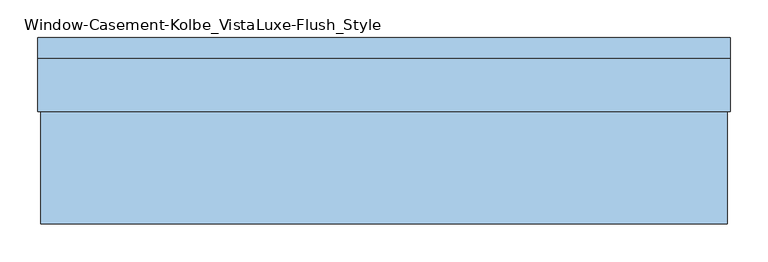
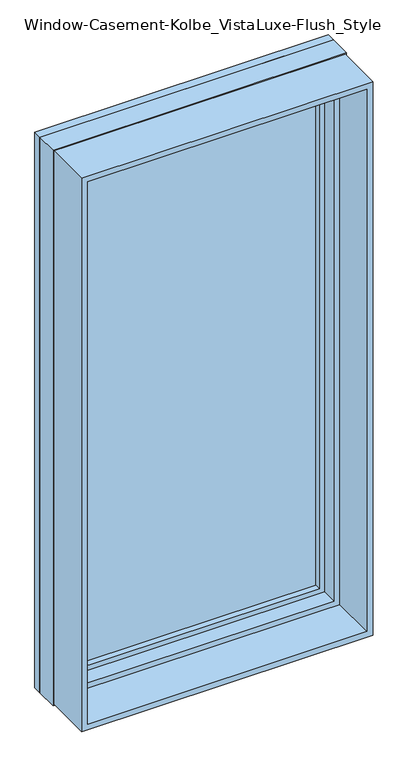
"""IFC4 building model written with IfcOpenShell, lengths in millimetres: window geometry, Window-Casement-Kolbe_VistaLuxe-Flush_Style."""

from ifc_helpers import new_model, si_unit, frame, origin, place, context, project, spatial, polyline, outline, extrude, faceted_brep, source, transform, mapped, element, save


def window_casement_kolbe_vistaluxe_flush_style_b70c0743(model_context):
    return source(origin(), model_context, "Body", "SolidModel", [
        faceted_brep([(-406.4696599, 127.72898, 970.676875), (395.3765901, 127.72898, 970.676875), (395.3765901, 135.66648, 970.676875), (-406.4696599, 135.66648, 970.676875), (-422.3446599, 105.47858, 954.801875), (411.2515901, 105.47858, 954.801875), (411.2515901, 127.72898, 954.801875), (-422.3446599, 127.72898, 954.801875), (-406.4696599, 86.45398, 970.676875), (395.3765901, 86.45398, 970.676875), (395.3765901, 105.47858, 970.676875), (-406.4696599, 105.47858, 970.676875), (-450.9196599, 135.66648, 926.226875), (439.8265901, 135.66648, 926.226875), (439.8265901, 86.45398, 926.226875), (-450.9196599, 86.45398, 926.226875), (395.3765901, 127.72898, 2686.923125), (395.3765901, 135.66648, 2686.923125), (411.2515901, 105.47858, 2702.798125), (411.2515901, 127.72898, 2702.798125), (395.3765901, 86.45398, 2686.923125), (395.3765901, 105.47858, 2686.923125), (439.8265901, 135.66648, 2731.373125), (439.8265901, 86.45398, 2731.373125), (-406.4696599, 127.72898, 2686.923125), (-406.4696599, 135.66648, 2686.923125), (-422.3446599, 105.47858, 2702.798125), (-422.3446599, 127.72898, 2702.798125), (-406.4696599, 86.45398, 2686.923125), (-406.4696599, 105.47858, 2686.923125), (-450.9196599, 135.66648, 2731.373125), (-450.9196599, 86.45398, 2731.373125)], [[[0, 1, 2, 3]], [[4, 5, 6, 7]], [[8, 9, 10, 11]], [[12, 13, 14, 15]], [[1, 16, 17, 2]], [[5, 18, 19, 6]], [[9, 20, 21, 10]], [[13, 22, 23, 14]], [[16, 24, 25, 17]], [[18, 26, 27, 19]], [[20, 28, 29, 21]], [[22, 30, 31, 23]], [[24, 0, 3, 25]], [[7, 6, 19, 27], [1, 0, 24, 16]], [[26, 4, 7, 27]], [[5, 4, 26, 18], [11, 10, 21, 29]], [[28, 8, 11, 29]], [[15, 14, 23, 31], [9, 8, 28, 20]], [[30, 12, 15, 31]], [[13, 12, 30, 22], [3, 2, 17, 25]]]),
        extrude(outline(polyline([(2739.6186, -459.1651349), (917.9814, -459.1651349), (917.9814, 448.0720651), (2739.6186, 448.0720651), (2739.6186, -459.1651349)]), holes=[polyline([(936.545625, -440.6009099), (2721.054375, -440.6009099), (2721.054375, 429.5078401), (936.545625, 429.5078401), (936.545625, -440.6009099)])]), frame((0.0, -109.5375, 0.0), z_axis=(0.0, 1.0, 0.0), x_axis=(0.0, 0.0, 1.0)), (0.0, 0.0, 1.0), 148.4122),
        extrude(outline(polyline([(2743.2, 451.6534651), (2743.2, -462.7465349), (914.4, -462.7465349), (914.4, 451.6534651), (2743.2, 451.6534651)]), holes=[polyline([(2731.373125, -450.9196599), (2731.373125, 439.8265901), (926.226875, 439.8265901), (926.226875, -450.9196599), (2731.373125, -450.9196599)])]), frame((0.0, 109.5375, 0.0), z_axis=(0.0, 1.0, 0.0), x_axis=(0.0, 0.0, 1.0)), (0.0, 0.0, 1.0), 26.924),
        faceted_brep([(451.6534651, 38.8747, 914.4), (-462.7465349, 38.8747, 914.4), (-462.7465349, 109.5375, 914.4), (451.6534651, 109.5375, 914.4), (429.5078401, 86.45525, 936.545625), (-440.6009099, 86.45525, 936.545625), (-440.6009099, 38.8747, 936.545625), (429.5078401, 38.8747, 936.545625), (439.8265901, 109.5375, 926.226875), (-450.9196599, 109.5375, 926.226875), (-450.9196599, 86.45525, 926.226875), (439.8265901, 86.45525, 926.226875), (-462.7465349, 38.8747, 2743.2), (-462.7465349, 109.5375, 2743.2), (-440.6009099, 86.45525, 2721.054375), (-440.6009099, 38.8747, 2721.054375), (-450.9196599, 109.5375, 2731.373125), (-450.9196599, 86.45525, 2731.373125), (451.6534651, 38.8747, 2743.2), (451.6534651, 109.5375, 2743.2), (429.5078401, 86.45525, 2721.054375), (429.5078401, 38.8747, 2721.054375), (439.8265901, 109.5375, 2731.373125), (439.8265901, 86.45525, 2731.373125)], [[[0, 1, 2, 3]], [[4, 5, 6, 7]], [[8, 9, 10, 11]], [[1, 12, 13, 2]], [[5, 14, 15, 6]], [[9, 16, 17, 10]], [[12, 18, 19, 13]], [[14, 20, 21, 15]], [[16, 22, 23, 17]], [[18, 0, 3, 19]], [[1, 0, 18, 12], [7, 6, 15, 21]], [[20, 4, 7, 21]], [[11, 10, 17, 23], [5, 4, 20, 14]], [[22, 8, 11, 23]], [[3, 2, 13, 19], [9, 8, 22, 16]]]),
        extrude(outline(polyline([(408.0765901, 108.65358), (408.0765901, 105.47858), (-419.1696599, 105.47858), (-419.1696599, 108.65358), (408.0765901, 108.65358)])), frame((0.0, 0.0, 957.976875), z_axis=(0.0, 0.0, 1.0), x_axis=(1.0, 0.0, 0.0)), (0.0, 0.0, 1.0), 1741.64625),
        extrude(outline(polyline([(408.0765901, 124.55398), (-419.1696599, 124.55398), (-419.1696599, 127.72898), (408.0765901, 127.72898), (408.0765901, 124.55398)])), frame((0.0, 0.0, 957.976875), z_axis=(0.0, 0.0, 1.0), x_axis=(1.0, 0.0, 0.0)), (0.0, 0.0, 1.0), 1741.64625),
        extrude(outline(polyline([(936.545625, -440.6009099), (936.545625, 429.5078401), (2721.054375, 429.5078401), (2721.054375, -440.6009099), (936.545625, -440.6009099)]), holes=[polyline([(954.801875, 411.2515901), (954.801875, -422.3446599), (2702.798125, -422.3446599), (2702.798125, 411.2515901), (954.801875, 411.2515901)])]), frame((0.0, 35.65525, 0.0), z_axis=(0.0, 1.0, 0.0), x_axis=(0.0, 0.0, 1.0)), (0.0, 0.0, 1.0), 50.8),
    ])


if __name__ == "__main__":
    model = new_model("IFC4")
    model_context = context("Model", 3, world=origin())
    ifc_project = project(units=[si_unit("LENGTHUNIT", "METRE", prefix="MILLI")], contexts=[model_context])
    site = spatial("IfcSite", under=ifc_project)
    building = spatial("IfcBuilding", under=site)
    placement = place(None, origin())
    window_casement_kolbe_vistaluxe_flush_style_shape = window_casement_kolbe_vistaluxe_flush_style_b70c0743(model_context)
    element("IfcWindow", 1, ObjectType="Window-Casement-Kolbe_VistaLuxe-Flush_Style", at=placement, inside=building, context=model_context, shape_type="MappedRepresentation", body=[
        mapped(window_casement_kolbe_vistaluxe_flush_style_shape, transform((0.0, 0.0, 0.0), x_axis=(1.0, 0.0, 0.0), y_axis=(0.0, 1.0, 0.0), z_axis=(0.0, 0.0, 1.0))),
    ])
    save(model, "model.ifc")
